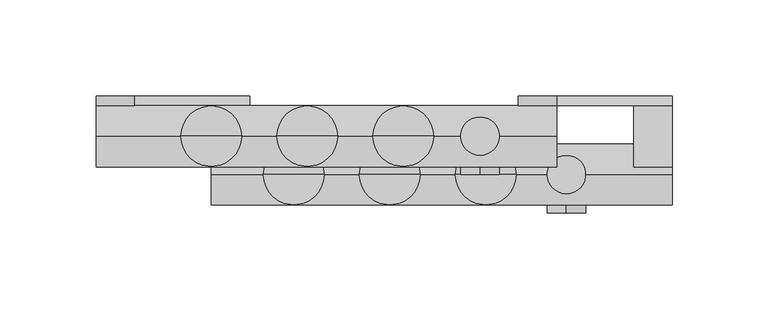
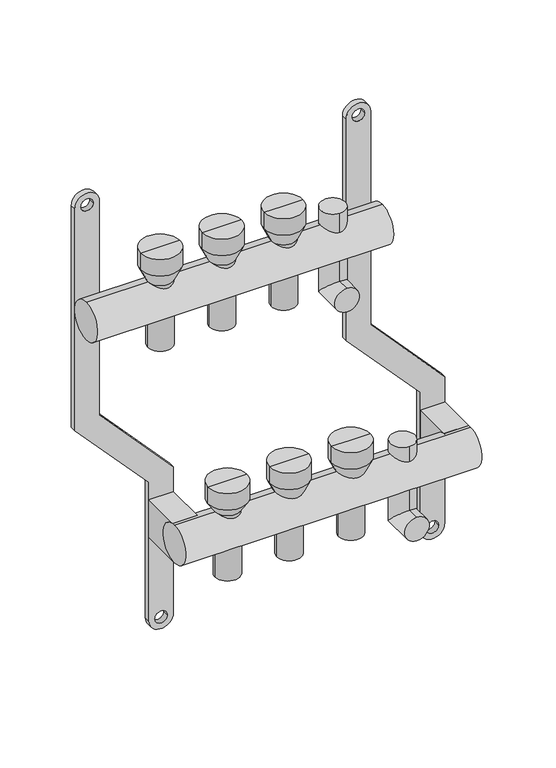
"""IFC4 building model written with IfcOpenShell, lengths in millimetres: proxy geometry."""

from ifc_helpers import new_model, si_unit, point, frame, frame_2d, origin, origin_2d, place, context, project, spatial, polyline, circle_curve, ellipse_curve, trimmed, segment, composite_curve, outline, extrude, source, transform, mapped, element, save
from ifc_brep_helpers import plane_surface, cylinder_surface, revolved_surface, advanced_brep


def mechanical_equipment_2bd16017(model_context):
    return source(origin(), model_context, "Body", "SolidModel", [
        extrude(outline(composite_curve([segment(trimmed(circle_curve(frame_2d((86.2845679, 220.0)), 10.0), [point((86.2845679, 230.0))], [point((86.2845679, 210.0))], False, "CARTESIAN"), True, "CONTINUOUS"), segment(polyline([(86.2845679, 210.0), (-103.7138261, 210.0), (-169.0329221, 270.0), (-287.9537524, 270.0)]), True, "CONTINUOUS"), segment(trimmed(circle_curve(frame_2d((-287.9537524, 280.0)), 10.0), [point((-287.9537524, 270.0))], [point((-287.9537524, 290.0))], False, "CARTESIAN"), True, "CONTINUOUS"), segment(polyline([(-287.9537524, 290.0), (-162.5345282, 290.0), (-97.2154321, 230.0), (86.2845679, 230.0)]), True, "CONTINUOUS")], self_intersect=False), holes=[composite_curve([segment(trimmed(circle_curve(frame_2d((86.2845679, 220.0)), 5.0), [point((86.2845679, 215.0))], [point((86.2845679, 225.0))], True, "CARTESIAN"), True, "CONTINUOUS"), segment(trimmed(circle_curve(frame_2d((86.2845679, 220.0)), 5.0), [point((86.2845679, 225.0))], [point((86.2845679, 215.0))], True, "CARTESIAN"), True, "CONTINUOUS")], self_intersect=False), composite_curve([segment(trimmed(circle_curve(frame_2d((-287.9537524, 280.0)), 5.0), [point((-287.9537524, 275.0))], [point((-287.9537524, 285.0))], True, "CARTESIAN"), True, "CONTINUOUS"), segment(trimmed(circle_curve(frame_2d((-287.9537524, 280.0)), 5.0), [point((-287.9537524, 285.0))], [point((-287.9537524, 275.0))], True, "CARTESIAN"), True, "CONTINUOUS")], self_intersect=False)]), frame((0.0, 16.0, 0.0), z_axis=(0.0, 1.0, 0.0), x_axis=(0.0, 0.0, 1.0)), (0.0, 0.0, 1.0), 5.0),
        advanced_brep(
        [(235.0, -40.0, -250.0), (235.0, -40.0, -230.0), (235.0, -10.0, -250.0), (235.0, -30.0, -230.0), (235.0, -10.0, -175.079492), (235.0, -30.0, -175.079492)],
        [
            (0, 1, circle_curve(frame((235.0, -40.0, -240.0), z_axis=(0.0, -1.0, 0.0), x_axis=(0.0, 0.0, 1.0)), 10.0)),
            (1, 0, circle_curve(frame((235.0, -40.0, -240.0), z_axis=(0.0, -1.0, 0.0), x_axis=(0.0, 0.0, 1.0)), 10.0)),
            (0, 2),
            (2, 3, ellipse_curve(frame((235.0, -20.0, -240.0), z_axis=(0.0, -0.7071067811865475, -0.7071067811865475), x_axis=(0.0, -0.7071067811865476, 0.7071067811865474)), 14.1421356, 10.0)),
            (3, 1),
            (3, 2, ellipse_curve(frame((235.0, -20.0, -240.0), z_axis=(0.0, -0.7071067811865475, -0.7071067811865475), x_axis=(0.0, -0.7071067811865476, 0.7071067811865474)), 14.1421356, 10.0)),
            (4, 5, circle_curve(frame((235.0, -20.0, -175.079492), z_axis=(0.0, 0.0, 1.0), x_axis=(0.0, -1.0, 0.0)), 10.0)),
            (5, 4, circle_curve(frame((235.0, -20.0, -175.079492), z_axis=(0.0, 0.0, 1.0), x_axis=(0.0, -1.0, 0.0)), 10.0)),
            (2, 4),
            (5, 3),
        ],
        [
            plane_surface(frame((235.0, -40.0, -240.0), z_axis=(0.0, -1.0, 0.0), x_axis=(1.0, 0.0, 0.0))),
            cylinder_surface(frame((235.0, -40.0, -240.0), z_axis=(0.0, -1.0, 0.0), x_axis=(0.0, 0.0, 1.0)), 10.0),
            plane_surface(frame((235.0, -20.0, -175.079492), z_axis=(0.0, 0.0, 1.0), x_axis=(1.0, 0.0, 0.0))),
            cylinder_surface(frame((235.0, -20.0, -240.0), z_axis=(0.0, 0.0, -1.0), x_axis=(0.0, -1.0, 0.0)), 10.0),
        ],
        [
            (0, [[1, 2]]),
            (1, [[-1, 3, 4, 5]]),
            (1, [[-2, -5, 6, -3]]),
            (2, [[7, 8]]),
            (3, [[-4, 9, -8, 10]]),
            (3, [[-6, -10, -7, -9]]),
        ],
    ),
        advanced_brep(
        [(190.0, -20.0, -50.0), (190.0, -20.0, -30.0), (190.0, 10.0, -50.0), (190.0, -10.0, -30.0), (190.0, 10.0, 28.420508), (190.0, -10.0, 28.420508)],
        [
            (0, 1, circle_curve(frame((190.0, -20.0, -40.0), z_axis=(0.0, -1.0, 0.0), x_axis=(0.0, 0.0, 1.0)), 10.0)),
            (1, 0, circle_curve(frame((190.0, -20.0, -40.0), z_axis=(0.0, -1.0, 0.0), x_axis=(0.0, 0.0, 1.0)), 10.0)),
            (0, 2),
            (2, 3, ellipse_curve(frame((190.0, 0.0, -40.0), z_axis=(0.0, -0.7071067811865486, -0.7071067811865464), x_axis=(0.0, -0.7071067811865466, 0.7071067811865485)), 14.1421356, 10.0)),
            (3, 1),
            (3, 2, ellipse_curve(frame((190.0, 0.0, -40.0), z_axis=(0.0, -0.7071067811865486, -0.7071067811865464), x_axis=(0.0, -0.7071067811865466, 0.7071067811865485)), 14.1421356, 10.0)),
            (4, 5, circle_curve(frame((190.0, 0.0, 28.420508), z_axis=(0.0, 0.0, 1.0), x_axis=(0.0, -1.0, 0.0)), 10.0)),
            (5, 4, circle_curve(frame((190.0, 0.0, 28.420508), z_axis=(0.0, 0.0, 1.0), x_axis=(0.0, -1.0, 0.0)), 10.0)),
            (2, 4),
            (5, 3),
        ],
        [
            plane_surface(frame((190.0, -20.0, -40.0), z_axis=(0.0, -1.0, 0.0), x_axis=(1.0, 0.0, 0.0))),
            cylinder_surface(frame((190.0, -20.0, -40.0), z_axis=(0.0, -1.0, 0.0), x_axis=(0.0, 0.0, 1.0)), 10.0),
            plane_surface(frame((190.0, 0.0, 28.420508), z_axis=(0.0, 0.0, 1.0), x_axis=(1.0, 0.0, 0.0))),
            cylinder_surface(frame((190.0, 0.0, -40.0), z_axis=(0.0, 0.0, -1.0), x_axis=(0.0, -1.0, 0.0)), 10.0),
        ],
        [
            (0, [[1, 2]]),
            (1, [[-1, 3, 4, 5]]),
            (1, [[-2, -5, 6, -3]]),
            (2, [[7, 8]]),
            (3, [[-4, 9, -8, 10]]),
            (3, [[-6, -10, -7, -9]]),
        ],
    ),
        extrude(outline(composite_curve([segment(trimmed(circle_curve(frame_2d((-20.0, -200.0)), 16.0), [point((-20.0, -216.0))], [point((-20.0, -184.0))], False, "CARTESIAN"), True, "CONTINUOUS"), segment(trimmed(circle_curve(frame_2d((-20.0, -200.0)), 16.0), [point((-20.0, -184.0))], [point((-20.0, -216.0))], False, "CARTESIAN"), True, "CONTINUOUS")], self_intersect=False)), frame((50.0, 0.0, 0.0), z_axis=(1.0, 0.0, 0.0), x_axis=(0.0, 1.0, 0.0)), (0.0, 0.0, 1.0), 240.0),
        extrude(outline(composite_curve([segment(trimmed(circle_curve(origin_2d(), 16.0), [point((0.0, -16.0))], [point((0.0, 16.0))], False, "CARTESIAN"), True, "CONTINUOUS"), segment(trimmed(circle_curve(origin_2d(), 16.0), [point((0.0, 16.0))], [point((0.0, -16.0))], False, "CARTESIAN"), True, "CONTINUOUS")], self_intersect=False)), frame((-10.0, 0.0, 0.0), z_axis=(1.0, 0.0, 0.0), x_axis=(0.0, 1.0, 0.0)), (0.0, 0.0, 1.0), 240.0),
        extrude(outline(polyline([(290.0, 16.0), (290.0, -20.0), (270.0, -20.0), (270.0, 16.0), (290.0, 16.0)])), frame((0.0, 0.0, -216.0), z_axis=(0.0, 0.0, 1.0), x_axis=(1.0, 0.0, 0.0)), (0.0, 0.0, 1.0), 32.0),
        extrude(outline(polyline([(70.0, 16.0), (70.0, -20.0), (50.0, -20.0), (50.0, 16.0), (70.0, 16.0)])), frame((0.0, 0.0, -216.0), z_axis=(0.0, 0.0, 1.0), x_axis=(1.0, 0.0, 0.0)), (0.0, 0.0, 1.0), 32.0),
        advanced_brep(
        [(158.0, 0.0, -40.0), (142.0, 0.0, -40.0), (142.0, 0.0, 16.0), (158.0, 0.0, 16.0), (160.0, 0.0, -40.0), (140.0, 0.0, -40.0), (160.0, 0.0, 16.0), (140.0, 0.0, 16.0), (165.791778, 0.0, 28.420508), (134.208222, 0.0, 28.420508), (165.791778, 0.0, 42.4712727), (134.208222, 0.0, 42.4712727), (150.0, 0.0, 42.4712727), (150.0, 0.0, 16.0)],
        [
            (0, 1, circle_curve(frame((150.0, 0.0, -40.0), z_axis=(0.0, 0.0, -1.0), x_axis=(-1.0, 0.0, 0.0)), 8.0)),
            (1, 2),
            (2, 3, circle_curve(frame((150.0, 0.0, 16.0), z_axis=(0.0, 0.0, 1.0), x_axis=(-1.0, 0.0, 0.0)), 8.0)),
            (3, 0),
            (1, 0, circle_curve(frame((150.0, 0.0, -40.0), z_axis=(0.0, 0.0, -1.0), x_axis=(-1.0, 0.0, 0.0)), 8.0)),
            (3, 2, circle_curve(frame((150.0, 0.0, 16.0), z_axis=(0.0, 0.0, 1.0), x_axis=(-1.0, 0.0, 0.0)), 8.0)),
            (4, 5, circle_curve(frame((150.0, 0.0, -40.0), z_axis=(0.0, 0.0, -1.0), x_axis=(-1.0, 0.0, 0.0)), 10.0)),
            (5, 1),
            (0, 4),
            (5, 4, circle_curve(frame((150.0, 0.0, -40.0), z_axis=(0.0, 0.0, -1.0), x_axis=(-1.0, 0.0, 0.0)), 10.0)),
            (6, 7, circle_curve(frame((150.0, 0.0, 16.0), z_axis=(0.0, 0.0, -1.0), x_axis=(-1.0, 0.0, 0.0)), 10.0)),
            (7, 5),
            (4, 6),
            (7, 6, circle_curve(frame((150.0, 0.0, 16.0), z_axis=(0.0, 0.0, -1.0), x_axis=(-1.0, 0.0, 0.0)), 10.0)),
            (8, 9, circle_curve(frame((150.0, 0.0, 28.420508), z_axis=(0.0, 0.0, -1.0), x_axis=(-1.0, 0.0, 0.0)), 15.791778)),
            (9, 7),
            (6, 8),
            (9, 8, circle_curve(frame((150.0, 0.0, 28.420508), z_axis=(0.0, 0.0, -1.0), x_axis=(-1.0, 0.0, 0.0)), 15.791778)),
            (10, 11, circle_curve(frame((150.0, 0.0, 42.4712727), z_axis=(0.0, 0.0, -1.0), x_axis=(-1.0, 0.0, 0.0)), 15.791778)),
            (11, 9),
            (8, 10),
            (11, 10, circle_curve(frame((150.0, 0.0, 42.4712727), z_axis=(0.0, 0.0, -1.0), x_axis=(-1.0, 0.0, 0.0)), 15.791778)),
            (12, 11),
            (10, 12),
            (2, 13),
            (13, 3),
        ],
        [
            revolved_surface(polyline([(142.0, 0.0, 16.0), (142.0, 0.0, -40.0)]), (150.0, 0.0, 0.0), (0.0, 0.0, 1.0)),
            plane_surface(frame((150.0, 0.0, -40.0), z_axis=(0.0, 0.0, -1.0), x_axis=(-1.0, 0.0, 0.0))),
            cylinder_surface(frame((150.0, 0.0, 0.0), z_axis=(0.0, 0.0, 1.0), x_axis=(-1.0, 0.0, 0.0)), 10.0),
            revolved_surface(polyline([(140.0, 0.0, 16.0), (134.208222, 0.0, 28.420508)]), (150.0, 0.0, 0.0), (0.0, 0.0, 1.0)),
            cylinder_surface(frame((150.0, 0.0, 0.0), z_axis=(0.0, 0.0, 1.0), x_axis=(-1.0, 0.0, 0.0)), 15.791778),
            plane_surface(frame((150.0, 0.0, 42.4712727), z_axis=(0.0, 0.0, 1.0), x_axis=(-1.0, 0.0, 0.0))),
            plane_surface(frame((150.0, 0.0, 16.0), z_axis=(0.0, 0.0, -1.0), x_axis=(-1.0, 0.0, 0.0))),
        ],
        [
            (0, [[1, 2, 3, 4]]),
            (0, [[5, -4, 6, -2]]),
            (1, [[7, 8, -1, 9]]),
            (1, [[10, -9, -5, -8]]),
            (2, [[11, 12, -7, 13]]),
            (2, [[14, -13, -10, -12]]),
            (3, [[15, 16, -11, 17]]),
            (3, [[18, -17, -14, -16]]),
            (4, [[19, 20, -15, 21]]),
            (4, [[22, -21, -18, -20]]),
            (5, [[23, -19, 24]]),
            (5, [[-24, -22, -23]]),
            (6, [[-3, 25, 26]]),
            (6, [[-6, -26, -25]]),
        ],
    ),
        advanced_brep(
        [(108.0, 0.0, -40.0), (92.0, 0.0, -40.0), (92.0, 0.0, 16.0), (108.0, 0.0, 16.0), (110.0, 0.0, -40.0), (90.0, 0.0, -40.0), (110.0, 0.0, 16.0), (90.0, 0.0, 16.0), (115.791778, 0.0, 28.420508), (84.208222, 0.0, 28.420508), (115.791778, 0.0, 42.4712727), (84.208222, 0.0, 42.4712727), (100.0, 0.0, 42.4712727), (100.0, 0.0, 16.0)],
        [
            (0, 1, circle_curve(frame((100.0, 0.0, -40.0), z_axis=(0.0, 0.0, -1.0), x_axis=(-1.0, 0.0, 0.0)), 8.0)),
            (1, 2),
            (2, 3, circle_curve(frame((100.0, 0.0, 16.0), z_axis=(0.0, 0.0, 1.0), x_axis=(-1.0, 0.0, 0.0)), 8.0)),
            (3, 0),
            (1, 0, circle_curve(frame((100.0, 0.0, -40.0), z_axis=(0.0, 0.0, -1.0), x_axis=(-1.0, 0.0, 0.0)), 8.0)),
            (3, 2, circle_curve(frame((100.0, 0.0, 16.0), z_axis=(0.0, 0.0, 1.0), x_axis=(-1.0, 0.0, 0.0)), 8.0)),
            (4, 5, circle_curve(frame((100.0, 0.0, -40.0), z_axis=(0.0, 0.0, -1.0), x_axis=(-1.0, 0.0, 0.0)), 10.0)),
            (5, 1),
            (0, 4),
            (5, 4, circle_curve(frame((100.0, 0.0, -40.0), z_axis=(0.0, 0.0, -1.0), x_axis=(-1.0, 0.0, 0.0)), 10.0)),
            (6, 7, circle_curve(frame((100.0, 0.0, 16.0), z_axis=(0.0, 0.0, -1.0), x_axis=(-1.0, 0.0, 0.0)), 10.0)),
            (7, 5),
            (4, 6),
            (7, 6, circle_curve(frame((100.0, 0.0, 16.0), z_axis=(0.0, 0.0, -1.0), x_axis=(-1.0, 0.0, 0.0)), 10.0)),
            (8, 9, circle_curve(frame((100.0, 0.0, 28.420508), z_axis=(0.0, 0.0, -1.0), x_axis=(-1.0, 0.0, 0.0)), 15.791778)),
            (9, 7),
            (6, 8),
            (9, 8, circle_curve(frame((100.0, 0.0, 28.420508), z_axis=(0.0, 0.0, -1.0), x_axis=(-1.0, 0.0, 0.0)), 15.791778)),
            (10, 11, circle_curve(frame((100.0, 0.0, 42.4712727), z_axis=(0.0, 0.0, -1.0), x_axis=(-1.0, 0.0, 0.0)), 15.791778)),
            (11, 9),
            (8, 10),
            (11, 10, circle_curve(frame((100.0, 0.0, 42.4712727), z_axis=(0.0, 0.0, -1.0), x_axis=(-1.0, 0.0, 0.0)), 15.791778)),
            (12, 11),
            (10, 12),
            (2, 13),
            (13, 3),
        ],
        [
            revolved_surface(polyline([(92.0, 0.0, 16.0), (92.0, 0.0, -40.0)]), (100.0, 0.0, 0.0), (0.0, 0.0, 1.0)),
            plane_surface(frame((100.0, 0.0, -40.0), z_axis=(0.0, 0.0, -1.0), x_axis=(-1.0, 0.0, 0.0))),
            cylinder_surface(frame((100.0, 0.0, 0.0), z_axis=(0.0, 0.0, 1.0), x_axis=(-1.0, 0.0, 0.0)), 10.0),
            revolved_surface(polyline([(90.0, 0.0, 16.0), (84.208222, 0.0, 28.420508)]), (100.0, 0.0, 0.0), (0.0, 0.0, 1.0)),
            cylinder_surface(frame((100.0, 0.0, 0.0), z_axis=(0.0, 0.0, 1.0), x_axis=(-1.0, 0.0, 0.0)), 15.791778),
            plane_surface(frame((100.0, 0.0, 42.4712727), z_axis=(0.0, 0.0, 1.0), x_axis=(-1.0, 0.0, 0.0))),
            plane_surface(frame((100.0, 0.0, 16.0), z_axis=(0.0, 0.0, -1.0), x_axis=(-1.0, 0.0, 0.0))),
        ],
        [
            (0, [[1, 2, 3, 4]]),
            (0, [[5, -4, 6, -2]]),
            (1, [[7, 8, -1, 9]]),
            (1, [[10, -9, -5, -8]]),
            (2, [[11, 12, -7, 13]]),
            (2, [[14, -13, -10, -12]]),
            (3, [[15, 16, -11, 17]]),
            (3, [[18, -17, -14, -16]]),
            (4, [[19, 20, -15, 21]]),
            (4, [[22, -21, -18, -20]]),
            (5, [[23, -19, 24]]),
            (5, [[-24, -22, -23]]),
            (6, [[-3, 25, 26]]),
            (6, [[-6, -26, -25]]),
        ],
    ),
        advanced_brep(
        [(58.0, 0.0, -40.0), (42.0, 0.0, -40.0), (42.0, 0.0, 16.0), (58.0, 0.0, 16.0), (60.0, 0.0, -40.0), (40.0, 0.0, -40.0), (60.0, 0.0, 16.0), (40.0, 0.0, 16.0), (65.791778, 0.0, 28.420508), (34.208222, 0.0, 28.420508), (65.791778, 0.0, 42.4712727), (34.208222, 0.0, 42.4712727), (50.0, 0.0, 42.4712727), (50.0, 0.0, 16.0)],
        [
            (0, 1, circle_curve(frame((50.0, 0.0, -40.0), z_axis=(0.0, 0.0, -1.0), x_axis=(-1.0, 0.0, 0.0)), 8.0)),
            (1, 2),
            (2, 3, circle_curve(frame((50.0, 0.0, 16.0), z_axis=(0.0, 0.0, 1.0), x_axis=(-1.0, 0.0, 0.0)), 8.0)),
            (3, 0),
            (1, 0, circle_curve(frame((50.0, 0.0, -40.0), z_axis=(0.0, 0.0, -1.0), x_axis=(-1.0, 0.0, 0.0)), 8.0)),
            (3, 2, circle_curve(frame((50.0, 0.0, 16.0), z_axis=(0.0, 0.0, 1.0), x_axis=(-1.0, 0.0, 0.0)), 8.0)),
            (4, 5, circle_curve(frame((50.0, 0.0, -40.0), z_axis=(0.0, 0.0, -1.0), x_axis=(-1.0, 0.0, 0.0)), 10.0)),
            (5, 1),
            (0, 4),
            (5, 4, circle_curve(frame((50.0, 0.0, -40.0), z_axis=(0.0, 0.0, -1.0), x_axis=(-1.0, 0.0, 0.0)), 10.0)),
            (6, 7, circle_curve(frame((50.0, 0.0, 16.0), z_axis=(0.0, 0.0, -1.0), x_axis=(-1.0, 0.0, 0.0)), 10.0)),
            (7, 5),
            (4, 6),
            (7, 6, circle_curve(frame((50.0, 0.0, 16.0), z_axis=(0.0, 0.0, -1.0), x_axis=(-1.0, 0.0, 0.0)), 10.0)),
            (8, 9, circle_curve(frame((50.0, 0.0, 28.420508), z_axis=(0.0, 0.0, -1.0), x_axis=(-1.0, 0.0, 0.0)), 15.791778)),
            (9, 7),
            (6, 8),
            (9, 8, circle_curve(frame((50.0, 0.0, 28.420508), z_axis=(0.0, 0.0, -1.0), x_axis=(-1.0, 0.0, 0.0)), 15.791778)),
            (10, 11, circle_curve(frame((50.0, 0.0, 42.4712727), z_axis=(0.0, 0.0, -1.0), x_axis=(-1.0, 0.0, 0.0)), 15.791778)),
            (11, 9),
            (8, 10),
            (11, 10, circle_curve(frame((50.0, 0.0, 42.4712727), z_axis=(0.0, 0.0, -1.0), x_axis=(-1.0, 0.0, 0.0)), 15.791778)),
            (12, 11),
            (10, 12),
            (2, 13),
            (13, 3),
        ],
        [
            revolved_surface(polyline([(42.0, 0.0, 16.0), (42.0, 0.0, -40.0)]), (50.0, 0.0, 0.0), (0.0, 0.0, 1.0)),
            plane_surface(frame((50.0, 0.0, -40.0), z_axis=(0.0, 0.0, -1.0), x_axis=(-1.0, 0.0, 0.0))),
            cylinder_surface(frame((50.0, 0.0, 0.0), z_axis=(0.0, 0.0, 1.0), x_axis=(-1.0, 0.0, 0.0)), 10.0),
            revolved_surface(polyline([(40.0, 0.0, 16.0), (34.208222, 0.0, 28.420508)]), (50.0, 0.0, 0.0), (0.0, 0.0, 1.0)),
            cylinder_surface(frame((50.0, 0.0, 0.0), z_axis=(0.0, 0.0, 1.0), x_axis=(-1.0, 0.0, 0.0)), 15.791778),
            plane_surface(frame((50.0, 0.0, 42.4712727), z_axis=(0.0, 0.0, 1.0), x_axis=(-1.0, 0.0, 0.0))),
            plane_surface(frame((50.0, 0.0, 16.0), z_axis=(0.0, 0.0, -1.0), x_axis=(-1.0, 0.0, 0.0))),
        ],
        [
            (0, [[1, 2, 3, 4]]),
            (0, [[5, -4, 6, -2]]),
            (1, [[7, 8, -1, 9]]),
            (1, [[10, -9, -5, -8]]),
            (2, [[11, 12, -7, 13]]),
            (2, [[14, -13, -10, -12]]),
            (3, [[15, 16, -11, 17]]),
            (3, [[18, -17, -14, -16]]),
            (4, [[19, 20, -15, 21]]),
            (4, [[22, -21, -18, -20]]),
            (5, [[23, -19, 24]]),
            (5, [[-24, -22, -23]]),
            (6, [[-3, 25, 26]]),
            (6, [[-6, -26, -25]]),
        ],
    ),
        advanced_brep(
        [(201.0, -20.0, -240.0), (185.0, -20.0, -240.0), (185.0, -20.0, -187.5), (201.0, -20.0, -187.5), (203.0, -20.0, -240.0), (183.0, -20.0, -240.0), (203.0, -20.0, -187.5), (183.0, -20.0, -187.5), (208.791778, -20.0, -175.079492), (177.208222, -20.0, -175.079492), (208.791778, -20.0, -161.0287273), (177.208222, -20.0, -161.0287273), (193.0, -20.0, -161.0287273), (193.0, -20.0, -187.5)],
        [
            (0, 1, circle_curve(frame((193.0, -20.0, -240.0), z_axis=(0.0, 0.0, -1.0), x_axis=(-1.0, 0.0, 0.0)), 8.0)),
            (1, 2),
            (2, 3, circle_curve(frame((193.0, -20.0, -187.5), z_axis=(0.0, 0.0, 1.0), x_axis=(-1.0, 0.0, 0.0)), 8.0)),
            (3, 0),
            (1, 0, circle_curve(frame((193.0, -20.0, -240.0), z_axis=(0.0, 0.0, -1.0), x_axis=(-1.0, 0.0, 0.0)), 8.0)),
            (3, 2, circle_curve(frame((193.0, -20.0, -187.5), z_axis=(0.0, 0.0, 1.0), x_axis=(-1.0, 0.0, 0.0)), 8.0)),
            (4, 5, circle_curve(frame((193.0, -20.0, -240.0), z_axis=(0.0, 0.0, -1.0), x_axis=(-1.0, 0.0, 0.0)), 10.0)),
            (5, 1),
            (0, 4),
            (5, 4, circle_curve(frame((193.0, -20.0, -240.0), z_axis=(0.0, 0.0, -1.0), x_axis=(-1.0, 0.0, 0.0)), 10.0)),
            (6, 7, circle_curve(frame((193.0, -20.0, -187.5), z_axis=(0.0, 0.0, -1.0), x_axis=(-1.0, 0.0, 0.0)), 10.0)),
            (7, 5),
            (4, 6),
            (7, 6, circle_curve(frame((193.0, -20.0, -187.5), z_axis=(0.0, 0.0, -1.0), x_axis=(-1.0, 0.0, 0.0)), 10.0)),
            (8, 9, circle_curve(frame((193.0, -20.0, -175.079492), z_axis=(0.0, 0.0, -1.0), x_axis=(-1.0, 0.0, 0.0)), 15.791778)),
            (9, 7),
            (6, 8),
            (9, 8, circle_curve(frame((193.0, -20.0, -175.079492), z_axis=(0.0, 0.0, -1.0), x_axis=(-1.0, 0.0, 0.0)), 15.791778)),
            (10, 11, circle_curve(frame((193.0, -20.0, -161.0287273), z_axis=(0.0, 0.0, -1.0), x_axis=(-1.0, 0.0, 0.0)), 15.791778)),
            (11, 9),
            (8, 10),
            (11, 10, circle_curve(frame((193.0, -20.0, -161.0287273), z_axis=(0.0, 0.0, -1.0), x_axis=(-1.0, 0.0, 0.0)), 15.791778)),
            (12, 11),
            (10, 12),
            (2, 13),
            (13, 3),
        ],
        [
            revolved_surface(polyline([(185.0, -20.0, -187.5), (185.0, -20.0, -240.0)]), (193.0, -20.0, -200.0), (0.0, 0.0, 1.0)),
            plane_surface(frame((193.0, -20.0, -240.0), z_axis=(0.0, 0.0, -1.0), x_axis=(-1.0, 0.0, 0.0))),
            cylinder_surface(frame((193.0, -20.0, -200.0), z_axis=(0.0, 0.0, 1.0), x_axis=(-1.0, 0.0, 0.0)), 10.0),
            revolved_surface(polyline([(183.0, -20.0, -187.5), (177.208222, -20.0, -175.079492)]), (193.0, -20.0, -200.0), (0.0, 0.0, 1.0)),
            cylinder_surface(frame((193.0, -20.0, -200.0), z_axis=(0.0, 0.0, 1.0), x_axis=(-1.0, 0.0, 0.0)), 15.791778),
            plane_surface(frame((193.0, -20.0, -161.0287273), z_axis=(0.0, 0.0, 1.0), x_axis=(-1.0, 0.0, 0.0))),
            plane_surface(frame((193.0, -20.0, -187.5), z_axis=(0.0, 0.0, -1.0), x_axis=(-1.0, 0.0, 0.0))),
        ],
        [
            (0, [[1, 2, 3, 4]]),
            (0, [[5, -4, 6, -2]]),
            (1, [[7, 8, -1, 9]]),
            (1, [[10, -9, -5, -8]]),
            (2, [[11, 12, -7, 13]]),
            (2, [[14, -13, -10, -12]]),
            (3, [[15, 16, -11, 17]]),
            (3, [[18, -17, -14, -16]]),
            (4, [[19, 20, -15, 21]]),
            (4, [[22, -21, -18, -20]]),
            (5, [[23, -19, 24]]),
            (5, [[-24, -22, -23]]),
            (6, [[-3, 25, 26]]),
            (6, [[-6, -26, -25]]),
        ],
    ),
        advanced_brep(
        [(151.0, -20.0, -240.0), (135.0, -20.0, -240.0), (135.0, -20.0, -187.5), (151.0, -20.0, -187.5), (153.0, -20.0, -240.0), (133.0, -20.0, -240.0), (153.0, -20.0, -187.5), (133.0, -20.0, -187.5), (158.791778, -20.0, -175.079492), (127.208222, -20.0, -175.079492), (158.791778, -20.0, -161.0287273), (127.208222, -20.0, -161.0287273), (143.0, -20.0, -161.0287273), (143.0, -20.0, -187.5)],
        [
            (0, 1, circle_curve(frame((143.0, -20.0, -240.0), z_axis=(0.0, 0.0, -1.0), x_axis=(-1.0, 0.0, 0.0)), 8.0)),
            (1, 2),
            (2, 3, circle_curve(frame((143.0, -20.0, -187.5), z_axis=(0.0, 0.0, 1.0), x_axis=(-1.0, 0.0, 0.0)), 8.0)),
            (3, 0),
            (1, 0, circle_curve(frame((143.0, -20.0, -240.0), z_axis=(0.0, 0.0, -1.0), x_axis=(-1.0, 0.0, 0.0)), 8.0)),
            (3, 2, circle_curve(frame((143.0, -20.0, -187.5), z_axis=(0.0, 0.0, 1.0), x_axis=(-1.0, 0.0, 0.0)), 8.0)),
            (4, 5, circle_curve(frame((143.0, -20.0, -240.0), z_axis=(0.0, 0.0, -1.0), x_axis=(-1.0, 0.0, 0.0)), 10.0)),
            (5, 1),
            (0, 4),
            (5, 4, circle_curve(frame((143.0, -20.0, -240.0), z_axis=(0.0, 0.0, -1.0), x_axis=(-1.0, 0.0, 0.0)), 10.0)),
            (6, 7, circle_curve(frame((143.0, -20.0, -187.5), z_axis=(0.0, 0.0, -1.0), x_axis=(-1.0, 0.0, 0.0)), 10.0)),
            (7, 5),
            (4, 6),
            (7, 6, circle_curve(frame((143.0, -20.0, -187.5), z_axis=(0.0, 0.0, -1.0), x_axis=(-1.0, 0.0, 0.0)), 10.0)),
            (8, 9, circle_curve(frame((143.0, -20.0, -175.079492), z_axis=(0.0, 0.0, -1.0), x_axis=(-1.0, 0.0, 0.0)), 15.791778)),
            (9, 7),
            (6, 8),
            (9, 8, circle_curve(frame((143.0, -20.0, -175.079492), z_axis=(0.0, 0.0, -1.0), x_axis=(-1.0, 0.0, 0.0)), 15.791778)),
            (10, 11, circle_curve(frame((143.0, -20.0, -161.0287273), z_axis=(0.0, 0.0, -1.0), x_axis=(-1.0, 0.0, 0.0)), 15.791778)),
            (11, 9),
            (8, 10),
            (11, 10, circle_curve(frame((143.0, -20.0, -161.0287273), z_axis=(0.0, 0.0, -1.0), x_axis=(-1.0, 0.0, 0.0)), 15.791778)),
            (12, 11),
            (10, 12),
            (2, 13),
            (13, 3),
        ],
        [
            revolved_surface(polyline([(135.0, -20.0, -187.5), (135.0, -20.0, -240.0)]), (143.0, -20.0, -200.0), (0.0, 0.0, 1.0)),
            plane_surface(frame((143.0, -20.0, -240.0), z_axis=(0.0, 0.0, -1.0), x_axis=(-1.0, 0.0, 0.0))),
            cylinder_surface(frame((143.0, -20.0, -200.0), z_axis=(0.0, 0.0, 1.0), x_axis=(-1.0, 0.0, 0.0)), 10.0),
            revolved_surface(polyline([(133.0, -20.0, -187.5), (127.208222, -20.0, -175.079492)]), (143.0, -20.0, -200.0), (0.0, 0.0, 1.0)),
            cylinder_surface(frame((143.0, -20.0, -200.0), z_axis=(0.0, 0.0, 1.0), x_axis=(-1.0, 0.0, 0.0)), 15.791778),
            plane_surface(frame((143.0, -20.0, -161.0287273), z_axis=(0.0, 0.0, 1.0), x_axis=(-1.0, 0.0, 0.0))),
            plane_surface(frame((143.0, -20.0, -187.5), z_axis=(0.0, 0.0, -1.0), x_axis=(-1.0, 0.0, 0.0))),
        ],
        [
            (0, [[1, 2, 3, 4]]),
            (0, [[5, -4, 6, -2]]),
            (1, [[7, 8, -1, 9]]),
            (1, [[10, -9, -5, -8]]),
            (2, [[11, 12, -7, 13]]),
            (2, [[14, -13, -10, -12]]),
            (3, [[15, 16, -11, 17]]),
            (3, [[18, -17, -14, -16]]),
            (4, [[19, 20, -15, 21]]),
            (4, [[22, -21, -18, -20]]),
            (5, [[23, -19, 24]]),
            (5, [[-24, -22, -23]]),
            (6, [[-3, 25, 26]]),
            (6, [[-6, -26, -25]]),
        ],
    ),
        advanced_brep(
        [(101.0, -20.0, -240.0), (85.0, -20.0, -240.0), (85.0, -20.0, -184.0), (101.0, -20.0, -184.0), (103.0, -20.0, -240.0), (83.0, -20.0, -240.0), (103.0, -20.0, -184.0), (83.0, -20.0, -184.0), (108.791778, -20.0, -175.079492), (77.208222, -20.0, -175.079492), (108.791778, -20.0, -161.0287273), (77.208222, -20.0, -161.0287273), (93.0, -20.0, -161.0287273), (93.0, -20.0, -184.0)],
        [
            (0, 1, circle_curve(frame((93.0, -20.0, -240.0), z_axis=(0.0, 0.0, -1.0), x_axis=(-1.0, 0.0, 0.0)), 8.0)),
            (1, 2),
            (2, 3, circle_curve(frame((93.0, -20.0, -184.0), z_axis=(0.0, 0.0, 1.0), x_axis=(-1.0, 0.0, 0.0)), 8.0)),
            (3, 0),
            (1, 0, circle_curve(frame((93.0, -20.0, -240.0), z_axis=(0.0, 0.0, -1.0), x_axis=(-1.0, 0.0, 0.0)), 8.0)),
            (3, 2, circle_curve(frame((93.0, -20.0, -184.0), z_axis=(0.0, 0.0, 1.0), x_axis=(-1.0, 0.0, 0.0)), 8.0)),
            (4, 5, circle_curve(frame((93.0, -20.0, -240.0), z_axis=(0.0, 0.0, -1.0), x_axis=(-1.0, 0.0, 0.0)), 10.0)),
            (5, 1),
            (0, 4),
            (5, 4, circle_curve(frame((93.0, -20.0, -240.0), z_axis=(0.0, 0.0, -1.0), x_axis=(-1.0, 0.0, 0.0)), 10.0)),
            (6, 7, circle_curve(frame((93.0, -20.0, -184.0), z_axis=(0.0, 0.0, -1.0), x_axis=(-1.0, 0.0, 0.0)), 10.0)),
            (7, 5),
            (4, 6),
            (7, 6, circle_curve(frame((93.0, -20.0, -184.0), z_axis=(0.0, 0.0, -1.0), x_axis=(-1.0, 0.0, 0.0)), 10.0)),
            (8, 9, circle_curve(frame((93.0, -20.0, -175.079492), z_axis=(0.0, 0.0, -1.0), x_axis=(-1.0, 0.0, 0.0)), 15.791778)),
            (9, 7),
            (6, 8),
            (9, 8, circle_curve(frame((93.0, -20.0, -175.079492), z_axis=(0.0, 0.0, -1.0), x_axis=(-1.0, 0.0, 0.0)), 15.791778)),
            (10, 11, circle_curve(frame((93.0, -20.0, -161.0287273), z_axis=(0.0, 0.0, -1.0), x_axis=(-1.0, 0.0, 0.0)), 15.791778)),
            (11, 9),
            (8, 10),
            (11, 10, circle_curve(frame((93.0, -20.0, -161.0287273), z_axis=(0.0, 0.0, -1.0), x_axis=(-1.0, 0.0, 0.0)), 15.791778)),
            (12, 11),
            (10, 12),
            (2, 13),
            (13, 3),
        ],
        [
            revolved_surface(polyline([(85.0, -20.0, -184.0), (85.0, -20.0, -240.0)]), (93.0, -20.0, -200.0), (0.0, 0.0, 1.0)),
            plane_surface(frame((93.0, -20.0, -240.0), z_axis=(0.0, 0.0, -1.0), x_axis=(-1.0, 0.0, 0.0))),
            cylinder_surface(frame((93.0, -20.0, -200.0), z_axis=(0.0, 0.0, 1.0), x_axis=(-1.0, 0.0, 0.0)), 10.0),
            revolved_surface(polyline([(83.0, -20.0, -184.0), (77.208222, -20.0, -175.079492)]), (93.0, -20.0, -200.0), (0.0, 0.0, 1.0)),
            cylinder_surface(frame((93.0, -20.0, -200.0), z_axis=(0.0, 0.0, 1.0), x_axis=(-1.0, 0.0, 0.0)), 15.791778),
            plane_surface(frame((93.0, -20.0, -161.0287273), z_axis=(0.0, 0.0, 1.0), x_axis=(-1.0, 0.0, 0.0))),
            plane_surface(frame((93.0, -20.0, -184.0), z_axis=(0.0, 0.0, -1.0), x_axis=(-1.0, 0.0, 0.0))),
        ],
        [
            (0, [[1, 2, 3, 4]]),
            (0, [[5, -4, 6, -2]]),
            (1, [[7, 8, -1, 9]]),
            (1, [[10, -9, -5, -8]]),
            (2, [[11, 12, -7, 13]]),
            (2, [[14, -13, -10, -12]]),
            (3, [[15, 16, -11, 17]]),
            (3, [[18, -17, -14, -16]]),
            (4, [[19, 20, -15, 21]]),
            (4, [[22, -21, -18, -20]]),
            (5, [[23, -19, 24]]),
            (5, [[-24, -22, -23]]),
            (6, [[-3, 25, 26]]),
            (6, [[-6, -26, -25]]),
        ],
    ),
        extrude(outline(composite_curve([segment(trimmed(circle_curve(frame_2d((86.2845679, 0.0)), 10.0), [point((86.2845679, 10.0))], [point((86.2845679, -10.0))], False, "CARTESIAN"), True, "CONTINUOUS"), segment(polyline([(86.2845679, -10.0), (-103.7138261, -10.0), (-169.0329221, 50.0), (-287.9537524, 50.0)]), True, "CONTINUOUS"), segment(trimmed(circle_curve(frame_2d((-287.9537524, 60.0)), 10.0), [point((-287.9537524, 50.0))], [point((-287.9537524, 70.0))], False, "CARTESIAN"), True, "CONTINUOUS"), segment(polyline([(-287.9537524, 70.0), (-162.5345282, 70.0), (-97.2154321, 10.0), (86.2845679, 10.0)]), True, "CONTINUOUS")], self_intersect=False), holes=[composite_curve([segment(trimmed(circle_curve(frame_2d((86.2845679, 0.0)), 5.0), [point((86.2845679, -5.0))], [point((86.2845679, 5.0))], True, "CARTESIAN"), True, "CONTINUOUS"), segment(trimmed(circle_curve(frame_2d((86.2845679, 0.0)), 5.0), [point((86.2845679, 5.0))], [point((86.2845679, -5.0))], True, "CARTESIAN"), True, "CONTINUOUS")], self_intersect=False), composite_curve([segment(trimmed(circle_curve(frame_2d((-287.9537524, 60.0)), 5.0), [point((-287.9537524, 55.0))], [point((-287.9537524, 65.0))], True, "CARTESIAN"), True, "CONTINUOUS"), segment(trimmed(circle_curve(frame_2d((-287.9537524, 60.0)), 5.0), [point((-287.9537524, 65.0))], [point((-287.9537524, 55.0))], True, "CARTESIAN"), True, "CONTINUOUS")], self_intersect=False)]), frame((0.0, 16.0, 0.0), z_axis=(0.0, 1.0, 0.0), x_axis=(0.0, 0.0, 1.0)), (0.0, 0.0, 1.0), 4.847249),
    ])


if __name__ == "__main__":
    model = new_model("IFC4")
    model_context = context("Model", 3, world=origin())
    ifc_project = project(units=[si_unit("LENGTHUNIT", "METRE", prefix="MILLI")], contexts=[model_context])
    site = spatial("IfcSite", under=ifc_project)
    building = spatial("IfcBuilding", under=site)
    placement = place(None, origin())
    mechanical_equipment_shape = mechanical_equipment_2bd16017(model_context)
    element("IfcBuildingElementProxy", 1, Name="Mechanical Equipment", at=placement, inside=building, context=model_context, shape_type="MappedRepresentation", body=[
        mapped(mechanical_equipment_shape, transform((0.0, 0.0, 0.0), x_axis=(1.0, 0.0, 0.0), y_axis=(0.0, 1.0, 0.0), z_axis=(0.0, 0.0, 1.0))),
    ])
    save(model, "model.ifc")
